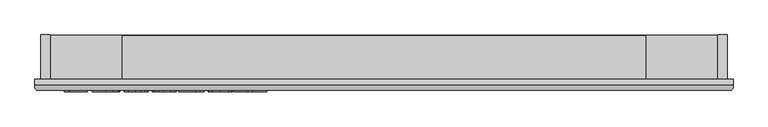
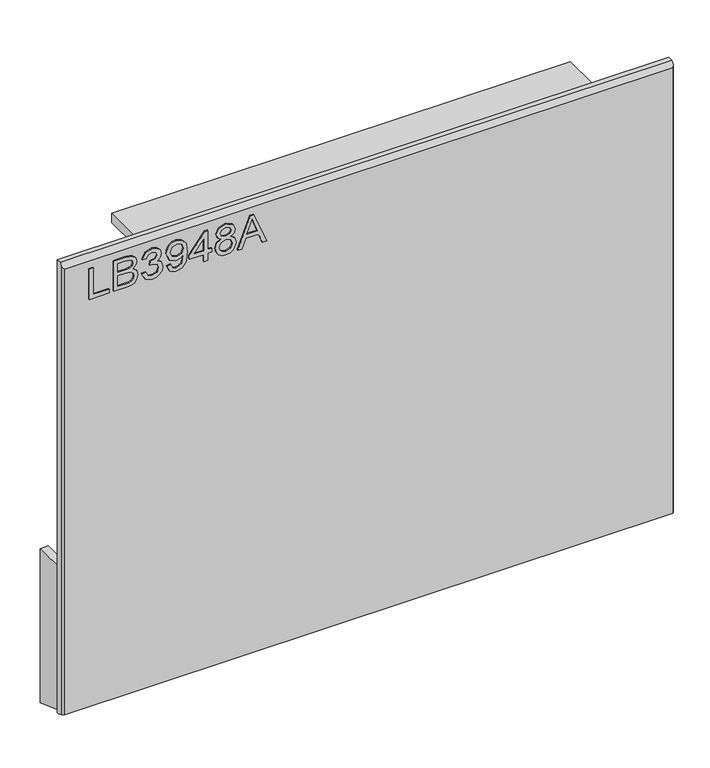
"""IFC4 building model written with IfcOpenShell, lengths in millimetres: furniture geometry."""

from ifc_helpers import new_model, si_unit, frame, origin, place, context, project, spatial, polyline, outline, extrude, faceted_brep, source, transform, mapped, element, save


def furniture_68e4a9ca(model_context):
    return source(origin(), model_context, "Body", "SolidModel", [
        extrude(outline(polyline([(1017.3890625, -539.4352904), (1017.3890625, -499.5666923), (1025.3627821, -499.5666923), (1025.3627821, -531.4615708), (1081.1788194, -531.4615708), (1081.1788194, -539.4352904), (1017.3890625, -539.4352904)])), frame((0.0, -21.9273437, 0.0), z_axis=(0.0, 1.0, 0.0), x_axis=(0.0, 0.0, 1.0)), (0.0, 0.0, 1.0), 2.38125),
        extrude(outline(polyline([(1017.3890625, -490.5962578), (1017.3890625, -466.4414938), (1018.4870063, -456.2173787), (1021.7263299, -449.2793082), (1027.831209, -444.6305674), (1036.4045149, -442.75394), (1046.3249435, -445.502693), (1052.2740858, -453.3596101), (1057.9195416, -446.8887497), (1065.3715432, -444.74737), (1073.5321469, -447.2936652), (1079.3021921, -454.3329645), (1081.1788194, -466.2546098), (1081.1788194, -490.5962578), (1017.3890625, -490.5962578)]), holes=[polyline([(1055.2642307, -482.6225381), (1073.2050998, -482.6225381), (1073.2050998, -469.1668863), (1072.3719084, -458.9194107), (1069.2961084, -454.3251777), (1064.0945022, -452.7210896), (1058.9006829, -454.4419802), (1055.9494722, -459.5579312), (1055.2642307, -468.0611556), (1055.2642307, -482.6225381)]), polyline([(1025.3627821, -482.6225381), (1047.2905111, -482.6225381), (1047.2905111, -467.048867), (1046.2237146, -457.19852), (1042.5249677, -452.2538794), (1036.3266466, -450.7276597), (1030.9537301, -452.0280612), (1027.4107199, -455.3452532), (1025.6742555, -460.3521884), (1025.3627821, -466.2701835), (1025.3627821, -482.6225381)])]), frame((0.0, -21.9273437, 0.0), z_axis=(0.0, 1.0, 0.0), x_axis=(0.0, 0.0, 1.0)), (0.0, 0.0, 1.0), 2.38125),
        extrude(outline(polyline([(1034.3332167, -434.7802204), (1021.391496, -428.4417363), (1016.3923475, -414.4565796), (1017.8562726, -405.9338881), (1022.2480479, -399.0230715), (1028.7422688, -394.4444122), (1036.5135306, -392.9181924), (1046.8855956, -395.970632), (1052.3363805, -404.6607405), (1057.615855, -398.1197986), (1064.9666278, -395.9083373), (1073.0104289, -398.2366011), (1078.9907187, -404.9644271), (1081.1788194, -414.581169), (1076.7403232, -427.2581373), (1064.2346653, -433.7835055), (1063.2379503, -425.8097859), (1070.7133124, -421.9007944), (1073.2050998, -414.3008429), (1070.736673, -406.7943334), (1064.4994177, -403.8820569), (1057.4601183, -407.9000641), (1055.2642307, -418.225408), (1047.2905111, -419.1131073), (1048.1626367, -413.5221593), (1044.8999525, -404.4582827), (1036.6536937, -400.8919121), (1027.9012905, -404.4894301), (1024.3660672, -414.1762535), (1026.9357229, -422.4069387), (1035.3299316, -426.8065008), (1034.3332167, -434.7802204)])), frame((0.0, -21.9273437, 0.0), z_axis=(0.0, 1.0, 0.0), x_axis=(0.0, 0.0, 1.0)), (0.0, 0.0, 1.0), 2.38125),
        extrude(outline(polyline([(1033.3365017, -384.9444728), (1020.8386307, -379.2289355), (1016.3923475, -366.9724563), (1020.161176, -354.6614693), (1031.1328273, -346.7422575), (1050.4986873, -344.0791598), (1068.3461144, -346.7500444), (1077.8460538, -354.5680273), (1081.1788194, -365.9290204), (1079.7187878, -373.8034578), (1075.3386928, -380.2334373), (1068.5641458, -384.5142501), (1059.9207584, -385.9411878), (1044.9856077, -380.4981897), (1039.3167914, -367.1749141), (1041.6372684, -358.4302977), (1046.1224857, -352.0061584), (1036.8717251, -353.15861), (1029.9414414, -355.7672), (1025.8845001, -360.1434015), (1024.3660672, -366.5986882), (1026.7254783, -373.3888088), (1034.3332167, -376.9707532), (1033.3365017, -384.9444728)]), holes=[polyline([(1060.1076424, -352.0528794), (1050.6933582, -355.6581843), (1047.2905111, -364.8544371), (1050.6933582, -374.4322448), (1059.5314166, -377.9674681), (1069.3973372, -374.2297871), (1073.2050998, -364.6364057), (1069.6698765, -355.4946607), (1060.1076424, -352.0528794)])]), frame((0.0, -21.9273437, 0.0), z_axis=(0.0, 1.0, 0.0), x_axis=(0.0, 0.0, 1.0)), (0.0, 0.0, 1.0), 2.38125),
        extrude(outline(polyline([(1017.3890625, -311.1875663), (1017.3890625, -303.2138467), (1032.3397868, -303.2138467), (1032.3397868, -295.2401271), (1040.3135064, -295.2401271), (1040.3135064, -303.2138467), (1080.1821045, -303.2138467), (1080.1821045, -309.1941364), (1040.3135064, -340.0923), (1032.3397868, -340.0923), (1032.3397868, -311.1875663), (1017.3890625, -311.1875663)]), holes=[polyline([(1040.3135064, -311.1875663), (1040.3135064, -330.2808872), (1064.9510541, -311.1875663), (1040.3135064, -311.1875663)])]), frame((0.0, -21.9273437, 0.0), z_axis=(0.0, 1.0, 0.0), x_axis=(0.0, 0.0, 1.0)), (0.0, 0.0, 1.0), 2.38125),
        extrude(outline(polyline([(1052.5232646, -276.6451638), (1046.7298589, -285.2418302), (1036.1709099, -288.2631224), (1028.413275, -286.8225579), (1022.053377, -282.5008641), (1017.8076049, -275.827546), (1016.3923475, -267.3321084), (1017.8017648, -258.8366708), (1022.0300165, -252.1633528), (1035.9528785, -246.4010944), (1046.2704356, -249.3055841), (1052.5232646, -257.785448), (1057.4523315, -250.7227882), (1064.9666278, -248.3945244), (1076.4599971, -253.6272779), (1081.1788194, -267.4411241), (1076.5690128, -281.1303811), (1065.1846592, -286.2696925), (1057.475692, -283.9102814), (1052.5232646, -276.6451638)]), holes=[polyline([(1064.9510541, -278.2959729), (1070.7756071, -275.4226306), (1073.2050998, -267.3321084), (1070.7210993, -259.2649468), (1064.5928597, -256.368244), (1058.6748647, -259.1715048), (1056.2609456, -267.2386664), (1058.6904383, -275.4693516), (1064.9510541, -278.2959729)]), polyline([(1036.451236, -280.2894028), (1044.9077394, -276.917703), (1048.287226, -267.5345662), (1044.8610184, -257.8788901), (1036.2020572, -254.3748141), (1027.7066196, -257.7698744), (1024.3660672, -267.2698138), (1025.9545816, -274.2468184), (1030.4475857, -278.9578539), (1036.451236, -280.2894028)])]), frame((0.0, -21.9273437, 0.0), z_axis=(0.0, 1.0, 0.0), x_axis=(0.0, 0.0, 1.0)), (0.0, 0.0, 1.0), 2.38125),
        extrude(outline(polyline([(1017.3890625, -243.8625861), (1017.3890625, -235.43723), (1037.3233615, -228.1487519), (1037.3233615, -201.8759687), (1017.3890625, -194.5719169), (1017.3890625, -186.1465609), (1081.1788194, -211.6095131), (1081.1788194, -218.3996338), (1017.3890625, -243.8625861)]), holes=[polyline([(1045.2970812, -225.2209017), (1062.350251, -218.9758596), (1073.2050998, -215.0045735), (1060.979768, -210.5349298), (1045.2970812, -204.7882452), (1045.2970812, -225.2209017)])]), frame((0.0, -21.9273437, 0.0), z_axis=(0.0, 1.0, 0.0), x_axis=(0.0, 0.0, 1.0)), (0.0, 0.0, 1.0), 2.38125),
        faceted_brep([(628.3377049, 0.0, 1106.3882812), (-590.8622951, 0.0, 1106.3882812), (-590.8622951, -10.0210937, 1106.3882812), (628.3377049, -10.0210938, 1106.3882812), (-590.8622951, 0.0, 151.0180812), (628.3377049, 0.0, 151.0180812), (628.3377049, -3.6710938, 151.0180812), (-590.8622951, -3.6710937, 151.0180812), (-590.8622951, -15.9900938, 155.9456812), (-590.8622951, -15.9900938, 1100.4192812), (625.1627049, -19.5460937, 1096.8632812), (-587.6872951, -19.5460937, 1096.8632812), (-587.6872951, -19.5460937, 157.3680812), (625.1627049, -19.5460937, 157.3680812), (628.3377049, -15.9900937, 1100.4192812), (628.3377049, -15.9900937, 155.9456812)], [[[0, 1, 2, 3]], [[4, 5, 6, 7]], [[1, 4, 7, 8, 9, 2]], [[10, 11, 12, 13]], [[5, 0, 3, 14, 15, 6]], [[1, 0, 5, 4]], [[3, 2, 9, 11, 10, 14]], [[7, 6, 15, 13, 12, 8]], [[9, 8, 12, 11]], [[10, 13, 15, 14]]]),
        faceted_brep([(-438.4622951, 75.6775384, 1085.3420645), (-438.4622951, 0.0, 1085.3420645), (-438.4622951, 0.0, 1104.490847), (-438.4622951, 75.6775384, 1104.490847), (475.9377049, 75.6775384, 1085.3420645), (475.9377049, 75.6775384, 1104.490847), (475.9377049, 0.0, 1104.490847), (475.9377049, 0.0, 1085.3420645)], [[[0, 1, 2, 3]], [[4, 5, 6, 7]], [[1, 0, 4, 7]], [[2, 1, 7, 6]], [[3, 2, 6, 5]], [[0, 3, 5, 4]]]),
        faceted_brep([(-580.2308991, 0.0, 149.4791075), (-580.2308991, 0.0, 446.2610824), (-580.2308991, 77.3737103, 446.2610824), (-580.2308991, 77.3737103, 121.3174356), (-563.9748987, 77.3737103, 446.2610824), (-563.9748987, 0.0, 446.2610824), (-563.9748987, 0.0, 170.757223), (-563.9748987, 77.3737103, 170.757223), (601.4503086, 77.3737103, 170.757223), (601.4503086, 77.3737103, 446.2610824), (617.706309, 77.3737103, 446.2610824), (617.706309, 77.3737103, 121.3174356), (617.706309, 0.0, 149.4791075), (617.706309, 0.0, 446.2610824), (601.4503086, 0.0, 446.2610824), (601.4503086, 0.0, 170.757223)], [[[0, 1, 2, 3]], [[4, 5, 6, 7]], [[2, 1, 5, 4]], [[2, 4, 7, 8, 9, 10, 11, 3]], [[0, 3, 11, 12]], [[5, 1, 0, 12, 13, 14, 15, 6]], [[14, 9, 8, 15]], [[10, 13, 12, 11]], [[9, 14, 13, 10]], [[6, 15, 8, 7]]]),
    ])


if __name__ == "__main__":
    model = new_model("IFC4")
    model_context = context("Model", 3, world=origin())
    ifc_project = project(units=[si_unit("LENGTHUNIT", "METRE", prefix="MILLI")], contexts=[model_context])
    site = spatial("IfcSite", under=ifc_project)
    building = spatial("IfcBuilding", under=site)
    placement = place(None, origin())
    furniture_shape = furniture_68e4a9ca(model_context)
    element("IfcFurniture", 1, at=placement, inside=building, context=model_context, shape_type="MappedRepresentation", body=[
        mapped(furniture_shape, transform((0.0, 0.0, 0.0), x_axis=(1.0, 0.0, 0.0), y_axis=(0.0, 1.0, 0.0), z_axis=(0.0, 0.0, 1.0))),
    ])
    save(model, "model.ifc")
